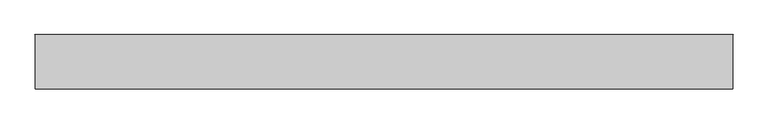
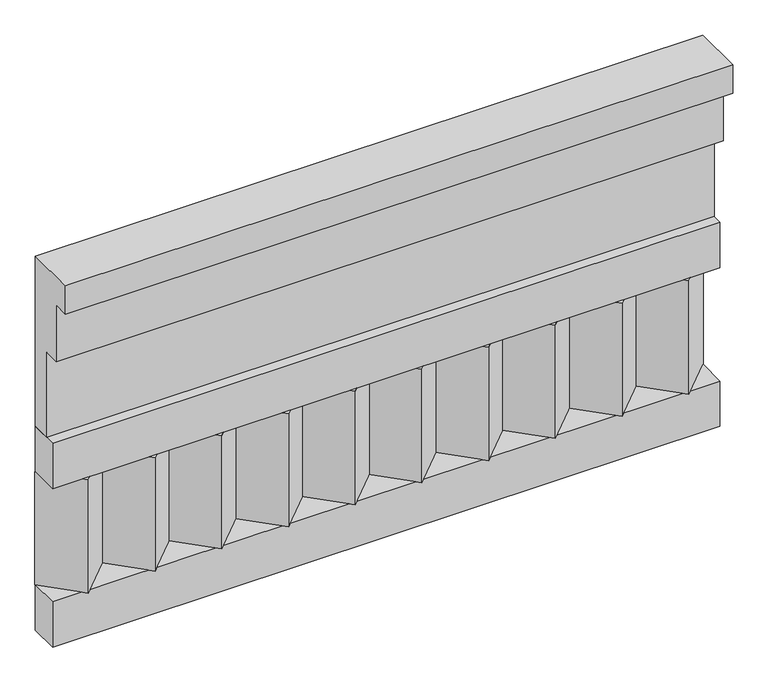
"""IFC4 building model written with IfcOpenShell, lengths in millimetres: railing geometry."""

from ifc_helpers import new_model, si_unit, frame, origin, place, context, project, spatial, polyline, outline, extrude, source, transform, mapped, element, save


def railing_a42d6aef(model_context):
    return source(origin(), model_context, "Body", "SweptSolid", [
        extrude(outline(polyline([(-16816.8920513, 18500.0), (-16816.8920513, 18050.0), (-16866.8920513, 18050.0), (-16866.8920513, 18275.0), (-16906.8920513, 18275.0), (-16906.8920513, 18425.0), (-16946.8920513, 18425.0), (-16946.8920513, 18500.0), (-16816.8920513, 18500.0)])), frame((-5539.9887159, 0.0, 0.0), z_axis=(1.0, 0.0, 0.0), x_axis=(0.0, 1.0, 0.0)), (0.0, 0.0, 1.0), 1670.0),
        extrude(outline(polyline([(-5539.9887159, -16891.8920513), (-5539.9887159, -16816.8920513), (-3869.9887159, -16816.8920513), (-3869.9887159, -16891.8920513), (-5539.9887159, -16891.8920513)])), frame((0.0, 0.0, 17930.0), z_axis=(0.0, 0.0, 1.0), x_axis=(1.0, 0.0, 0.0)), (0.0, 0.0, 1.0), 120.0),
        extrude(outline(polyline([(-5539.9887159, -16891.8920513), (-5539.9887159, -16816.8920513), (-3869.9887159, -16816.8920513), (-3869.9887159, -16891.8920513), (-5539.9887159, -16891.8920513)])), frame((0.0, 0.0, 17510.0), z_axis=(0.0, 0.0, 1.0), x_axis=(1.0, 0.0, 0.0)), (0.0, 0.0, 1.0), 120.0),
        extrude(outline(polyline([(-3953.4887159, -16901.7448651), (-4038.3415296, -16816.8920513), (-3868.6359022, -16816.8920513), (-3953.4887159, -16901.7448651)])), frame((0.0, 0.0, 17630.0), z_axis=(0.0, 0.0, 1.0), x_axis=(1.0, 0.0, 0.0)), (0.0, 0.0, 1.0), 300.0),
        extrude(outline(polyline([(-4120.4887159, -16901.7448651), (-4205.3415296, -16816.8920513), (-4035.6359022, -16816.8920513), (-4120.4887159, -16901.7448651)])), frame((0.0, 0.0, 17630.0), z_axis=(0.0, 0.0, 1.0), x_axis=(1.0, 0.0, 0.0)), (0.0, 0.0, 1.0), 300.0),
        extrude(outline(polyline([(-4287.4887159, -16901.7448651), (-4372.3415296, -16816.8920513), (-4202.6359022, -16816.8920513), (-4287.4887159, -16901.7448651)])), frame((0.0, 0.0, 17630.0), z_axis=(0.0, 0.0, 1.0), x_axis=(1.0, 0.0, 0.0)), (0.0, 0.0, 1.0), 300.0),
        extrude(outline(polyline([(-4454.4887159, -16901.7448651), (-4539.3415296, -16816.8920513), (-4369.6359022, -16816.8920513), (-4454.4887159, -16901.7448651)])), frame((0.0, 0.0, 17630.0), z_axis=(0.0, 0.0, 1.0), x_axis=(1.0, 0.0, 0.0)), (0.0, 0.0, 1.0), 300.0),
        extrude(outline(polyline([(-4621.4887159, -16901.7448651), (-4706.3415296, -16816.8920513), (-4536.6359022, -16816.8920513), (-4621.4887159, -16901.7448651)])), frame((0.0, 0.0, 17630.0), z_axis=(0.0, 0.0, 1.0), x_axis=(1.0, 0.0, 0.0)), (0.0, 0.0, 1.0), 300.0),
        extrude(outline(polyline([(-4788.4887159, -16901.7448651), (-4873.3415296, -16816.8920513), (-4703.6359022, -16816.8920513), (-4788.4887159, -16901.7448651)])), frame((0.0, 0.0, 17630.0), z_axis=(0.0, 0.0, 1.0), x_axis=(1.0, 0.0, 0.0)), (0.0, 0.0, 1.0), 300.0),
        extrude(outline(polyline([(-4955.4887159, -16901.7448651), (-5040.3415296, -16816.8920513), (-4870.6359022, -16816.8920513), (-4955.4887159, -16901.7448651)])), frame((0.0, 0.0, 17630.0), z_axis=(0.0, 0.0, 1.0), x_axis=(1.0, 0.0, 0.0)), (0.0, 0.0, 1.0), 300.0),
        extrude(outline(polyline([(-5122.4887159, -16901.7448651), (-5207.3415296, -16816.8920513), (-5037.6359022, -16816.8920513), (-5122.4887159, -16901.7448651)])), frame((0.0, 0.0, 17630.0), z_axis=(0.0, 0.0, 1.0), x_axis=(1.0, 0.0, 0.0)), (0.0, 0.0, 1.0), 300.0),
        extrude(outline(polyline([(-5289.4887159, -16901.7448651), (-5374.3415296, -16816.8920513), (-5204.6359022, -16816.8920513), (-5289.4887159, -16901.7448651)])), frame((0.0, 0.0, 17630.0), z_axis=(0.0, 0.0, 1.0), x_axis=(1.0, 0.0, 0.0)), (0.0, 0.0, 1.0), 300.0),
        extrude(outline(polyline([(-5456.4887159, -16901.7448651), (-5541.3415296, -16816.8920513), (-5371.6359022, -16816.8920513), (-5456.4887159, -16901.7448651)])), frame((0.0, 0.0, 17630.0), z_axis=(0.0, 0.0, 1.0), x_axis=(1.0, 0.0, 0.0)), (0.0, 0.0, 1.0), 300.0),
    ])


if __name__ == "__main__":
    model = new_model("IFC4")
    model_context = context("Model", 3, world=origin())
    ifc_project = project(units=[si_unit("LENGTHUNIT", "METRE", prefix="MILLI")], contexts=[model_context])
    site = spatial("IfcSite", under=ifc_project)
    building = spatial("IfcBuilding", under=site)
    placement = place(None, origin())
    railing_shape = railing_a42d6aef(model_context)
    element("IfcRailing", 1, at=placement, inside=building, context=model_context, shape_type="MappedRepresentation", body=[
        mapped(railing_shape, transform((0.0, 0.0, 0.0), x_axis=(1.0, 0.0, 0.0), y_axis=(0.0, 1.0, 0.0), z_axis=(0.0, 0.0, 1.0))),
    ])
    save(model, "model.ifc")
